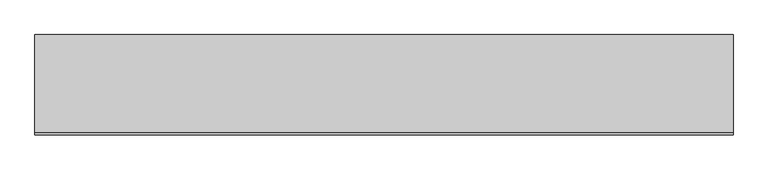
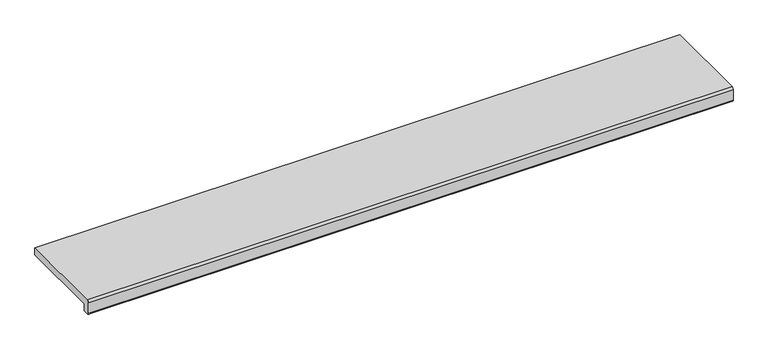
"""IFC4 building model written with IfcOpenShell, lengths in millimetres: proxy geometry."""

from ifc_helpers import new_model, si_unit, point, frame, frame_2d, origin, place, context, project, spatial, polyline, circle_curve, trimmed, segment, composite_curve, outline, extrude, source, transform, mapped, element, save


def generic_models_14e01ec7(model_context):
    return source(origin(), model_context, "Body", "SweptSolid", [
        extrude(outline(composite_curve([segment(polyline([(-245.0, 30.0), (0.0, 30.0), (0.0, 10.0), (-230.0, 10.0), (-230.0, -10.0), (-245.0, -10.0)]), True, "CONTINUOUS"), segment(trimmed(circle_curve(frame_2d((-245.0, -5.0)), 5.0), [point((-245.0, -10.0))], [point((-250.0, -5.0))], False, "CARTESIAN"), True, "CONTINUOUS"), segment(polyline([(-250.0, -5.0), (-250.0, 25.0)]), True, "CONTINUOUS"), segment(trimmed(circle_curve(frame_2d((-245.0, 25.0)), 5.0), [point((-250.0, 25.0))], [point((-245.0, 30.0))], False, "CARTESIAN"), True, "CONTINUOUS")], self_intersect=False)), frame((-870.0, 0.0, 0.0), z_axis=(1.0, 0.0, 0.0), x_axis=(0.0, 1.0, 0.0)), (0.0, 0.0, 1.0), 1740.0),
    ])


if __name__ == "__main__":
    model = new_model("IFC4")
    model_context = context("Model", 3, world=origin())
    ifc_project = project(units=[si_unit("LENGTHUNIT", "METRE", prefix="MILLI")], contexts=[model_context])
    site = spatial("IfcSite", under=ifc_project)
    building = spatial("IfcBuilding", under=site)
    placement = place(None, origin())
    generic_models_shape = generic_models_14e01ec7(model_context)
    element("IfcBuildingElementProxy", 1, Name="Generic Models", at=placement, inside=building, context=model_context, shape_type="MappedRepresentation", body=[
        mapped(generic_models_shape, transform((0.0, 0.0, 0.0), x_axis=(1.0, 0.0, 0.0), y_axis=(0.0, 1.0, 0.0), z_axis=(0.0, 0.0, 1.0))),
    ])
    save(model, "model.ifc")
